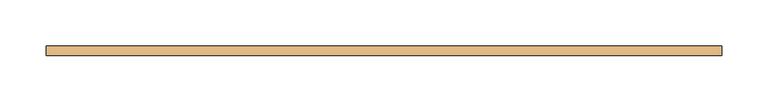
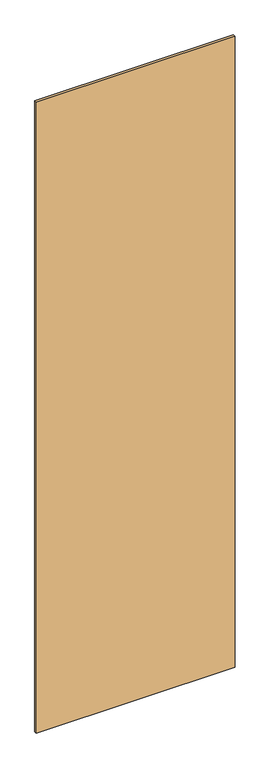
"""IFC4 building model written with IfcOpenShell, lengths in millimetres: door geometry."""

from ifc_helpers import new_model, si_unit, frame, origin, place, context, project, spatial, polyline, outline, extrude, source, transform, mapped, element, save


def door_f4601690(model_context):
    return source(origin(), model_context, "Body", "SweptSolid", [
        extrude(outline(polyline([(363.9583333, 5.0), (363.9583333, -5.0), (-363.9583333, -5.0), (-363.9583333, 5.0), (363.9583333, 5.0)])), frame((0.0, 0.0, 78.0), z_axis=(0.0, 0.0, 1.0), x_axis=(1.0, 0.0, 0.0)), (0.0, 0.0, 1.0), 2444.0),
    ])


if __name__ == "__main__":
    model = new_model("IFC4")
    model_context = context("Model", 3, world=origin())
    ifc_project = project(units=[si_unit("LENGTHUNIT", "METRE", prefix="MILLI")], contexts=[model_context])
    site = spatial("IfcSite", under=ifc_project)
    building = spatial("IfcBuilding", under=site)
    placement = place(None, origin())
    door_shape = door_f4601690(model_context)
    element("IfcDoor", 1, at=placement, inside=building, context=model_context, shape_type="MappedRepresentation", body=[
        mapped(door_shape, transform((0.0, 0.0, 0.0), x_axis=(1.0, 0.0, 0.0), y_axis=(0.0, 1.0, 0.0), z_axis=(0.0, 0.0, 1.0))),
    ])
    save(model, "model.ifc")
